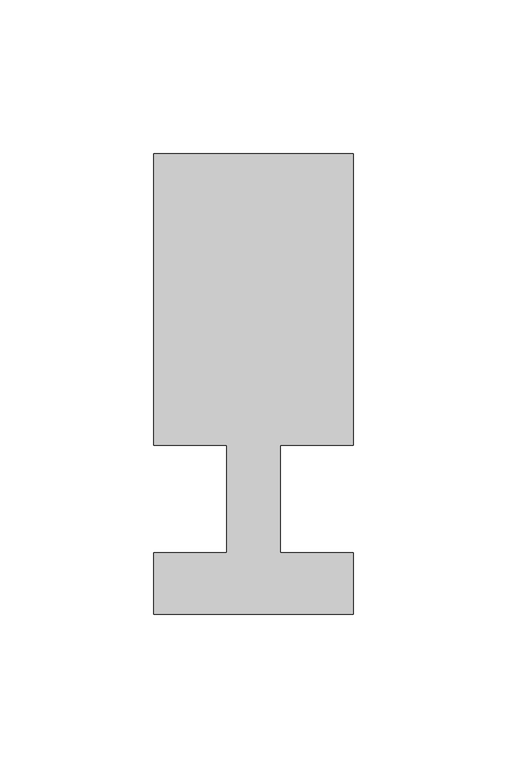
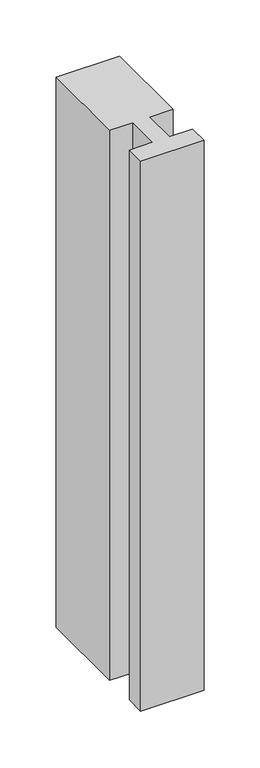
"""IFC4 building model written with IfcOpenShell, lengths in millimetres: member geometry."""

import ifcopenshell
import ifcopenshell.guid

model = None  # the IFC model being written
_history = None  # IfcOwnerHistory: only IFC2X3 demands one
_inside = {}  # id of a spatial element -> (the spatial element, [elements in it])
_under = {}  # id of a project, library or spatial element -> (it, [spatial elements below it])
_declared = {}  # id of a project -> (the project, [libraries it declares])
_typed = {}  # id of a type object -> (the type object, [elements of that type])
_made_of = {}  # id of a material, layer set ... -> (it, [elements and type objects made of it])


def new_model(schema):
    """Start an empty IFC model of exactly this schema.

    Asked for "IFC4X3", IfcOpenShell would pick the latest addendum, in which some entities
    have other attributes; the version numbers below select the first issue.
    IFC2X3 requires an IfcOwnerHistory on every rooted entity: one is made here for all.
    """
    global model, _history
    if schema == "IFC4X3":
        model = ifcopenshell.file(schema_version=(4, 3, 0, 0))
    else:
        model = ifcopenshell.file(schema=schema)
    _inside.clear()
    _under.clear()
    _declared.clear()
    _typed.clear()
    _made_of.clear()
    _history = None
    if model.schema == "IFC2X3":
        org = make("IfcOrganization", Name="unknown")
        user = make(
            "IfcPersonAndOrganization",
            ThePerson=make("IfcPerson", FamilyName="unknown"),
            TheOrganization=org,
        )
        app = make(
            "IfcApplication",
            ApplicationDeveloper=org,
            Version="unknown",
            ApplicationFullName="unknown",
            ApplicationIdentifier="unknown",
        )
        _history = make(
            "IfcOwnerHistory",
            OwningUser=user,
            OwningApplication=app,
            ChangeAction="ADDED",
            CreationDate=0,
        )
    return model


def make(cls, **values):
    """One entity of the class cls with the attributes given. An attribute that is None is left unset."""
    return model.create_entity(
        cls, **{name: value for name, value in values.items() if value is not None}
    )


def rooted(cls, **values):
    """An entity with a GlobalId (a new one), such as an element, a storey or a relation."""
    return make(cls, GlobalId=ifcopenshell.guid.new(), OwnerHistory=_history, **values)


def si_unit(unit_type, name, prefix=None):
    """IfcSIUnit, for example si_unit("LENGTHUNIT", "METRE", prefix="MILLI")."""
    return make("IfcSIUnit", UnitType=unit_type, Prefix=prefix, Name=name)


def assignment(units):
    """IfcUnitAssignment: the units of a project."""
    return None if units is None else make("IfcUnitAssignment", Units=units)


def point(xyz):
    """IfcCartesianPoint."""
    return None if xyz is None else make("IfcCartesianPoint", Coordinates=xyz)


def direction(xyz):
    """IfcDirection."""
    return None if xyz is None else make("IfcDirection", DirectionRatios=xyz)


def frame(location, z_axis=None, x_axis=None):
    """IfcAxis2Placement3D, a coordinate frame: its origin and axes. An axis left out is left unset."""
    return make(
        "IfcAxis2Placement3D",
        Location=point(location),
        Axis=direction(z_axis),
        RefDirection=direction(x_axis),
    )


def origin():
    """The frame at (0, 0, 0) with its axes left unset."""
    return frame((0.0, 0.0, 0.0))


def place(relative_to, where):
    """IfcLocalPlacement: puts the frame where relative to a parent placement (None: the world)."""
    return make(
        "IfcLocalPlacement", PlacementRelTo=relative_to, RelativePlacement=where
    )


def context(
    kind, dimensions, precision=None, world=None, true_north=None, identifier=None
):
    """IfcGeometricRepresentationContext, for example the 3D "Model" context."""
    return make(
        "IfcGeometricRepresentationContext",
        ContextIdentifier=identifier,
        ContextType=kind,
        CoordinateSpaceDimension=dimensions,
        Precision=precision,
        WorldCoordinateSystem=world,
        TrueNorth=true_north,
    )


def project(units=None, contexts=None):
    """IfcProject with its units and contexts."""
    return rooted(
        "IfcProject",
        Name="project",
        RepresentationContexts=contexts,
        UnitsInContext=assignment(units),
    )


def spatial(cls, under=None, at=None, **own):
    """A site, building, storey or space (cls), placed at a placement, below another one or the project."""
    s = rooted(cls, ObjectPlacement=at, **own)
    if under is not None:
        _under.setdefault(under.id(), (under, []))[1].append(s)
    return s


def polyline(points):
    """IfcPolyline through the points."""
    return make("IfcPolyline", Points=[point(p) for p in points])


def outline(outer, holes=None, kind="AREA"):
    """IfcArbitraryClosedProfileDef: a profile drawn as a closed curve; with holes, ...WithVoids."""
    if holes is None:
        return make("IfcArbitraryClosedProfileDef", ProfileType=kind, OuterCurve=outer)
    return make(
        "IfcArbitraryProfileDefWithVoids",
        ProfileType=kind,
        OuterCurve=outer,
        InnerCurves=holes,
    )


def extrude(swept, where, along, depth):
    """IfcExtrudedAreaSolid: the profile swept, set in the frame where, extruded along a direction by depth."""
    return make(
        "IfcExtrudedAreaSolid",
        SweptArea=swept,
        Position=where,
        ExtrudedDirection=direction(along),
        Depth=depth,
    )


def shape(context_of_items, identifier, shape_type, items):
    """IfcShapeRepresentation: the items that make up one representation, for example the "Body"."""
    return make(
        "IfcShapeRepresentation",
        ContextOfItems=context_of_items,
        RepresentationIdentifier=identifier,
        RepresentationType=shape_type,
        Items=items,
    )


def source(mapping_origin, context_of_items, identifier, shape_type, items):
    """IfcRepresentationMap: a shape defined once, which mapped items show again and again."""
    return make(
        "IfcRepresentationMap",
        MappingOrigin=mapping_origin,
        MappedRepresentation=shape(context_of_items, identifier, shape_type, items),
    )


def transform(
    local_origin,
    x_axis=None,
    y_axis=None,
    z_axis=None,
    scale=None,
    scale2=None,
    scale3=None,
    uniform=True,
):
    """IfcCartesianTransformationOperator3D, or its non-uniform kind. x_axis, y_axis, z_axis: its Axis1, 2, 3."""
    if uniform:
        return make(
            "IfcCartesianTransformationOperator3D",
            Axis1=direction(x_axis),
            Axis2=direction(y_axis),
            LocalOrigin=point(local_origin),
            Scale=scale,
            Axis3=direction(z_axis),
        )
    return make(
        "IfcCartesianTransformationOperator3DnonUniform",
        Axis1=direction(x_axis),
        Axis2=direction(y_axis),
        LocalOrigin=point(local_origin),
        Scale=scale,
        Axis3=direction(z_axis),
        Scale2=scale2,
        Scale3=scale3,
    )


def mapped(mapping_source, mapping_target):
    """IfcMappedItem: shows the shape of a source again, moved by a transform."""
    return make(
        "IfcMappedItem", MappingSource=mapping_source, MappingTarget=mapping_target
    )


def made_of(thing, what):
    """Note that an element or type object is made of a material, layer set ...; save() writes the relation."""
    if what is not None:
        _made_of.setdefault(what.id(), (what, []))[1].append(thing)
    return thing


def element(
    cls,
    number,
    at=None,
    inside=None,
    cuts=None,
    type_object=None,
    material=None,
    context=None,
    identifier="Body",
    shape_type=None,
    held_by="IfcProductDefinitionShape",
    body=None,
    shapes=None,
    **own,
):
    """One element of the class cls, such as IfcWall. Its Tag is "e" and its number.

    at: its placement. inside: the storey or other place that contains it. cuts: it is an
    opening in that element (IfcRelVoidsElement). A single representation is given by context,
    identifier, shape_type and body (its items); several are given by shapes. held_by: the class
    of the entity that holds the representations. save() writes the other relations.
    """
    e = rooted(cls, Tag="e%d" % number, ObjectPlacement=at, **own)
    if body is not None:
        shapes = [shape(context, identifier, shape_type, body)]
    if shapes is not None:
        e.Representation = make(held_by, Representations=shapes)
    if inside is not None:
        _inside.setdefault(inside.id(), (inside, []))[1].append(e)
    if cuts is not None:
        rooted(
            "IfcRelVoidsElement", RelatingBuildingElement=cuts, RelatedOpeningElement=e
        )
    if type_object is not None:
        _typed.setdefault(type_object.id(), (type_object, []))[1].append(e)
    return made_of(e, material)


def aggregate(whole, parts):
    """IfcRelAggregates: a whole, such as a stair, and the parts it consists of."""
    return rooted("IfcRelAggregates", RelatingObject=whole, RelatedObjects=parts)


def save(model, path):
    """Write the relations noted so far, then the file.

    IfcRelAggregates (storeys below a building ...), IfcRelContainedInSpatialStructure (elements
    in a storey), IfcRelDefinesByType, IfcRelAssociatesMaterial and IfcRelDeclares: one each for
    every whole, place, type object, material and project.
    """
    for whole, parts in _under.values():
        aggregate(whole, parts)
    for where, things in _inside.values():
        rooted(
            "IfcRelContainedInSpatialStructure",
            RelatedElements=things,
            RelatingStructure=where,
        )
    for kind, things in _typed.values():
        rooted("IfcRelDefinesByType", RelatedObjects=things, RelatingType=kind)
    for what, things in _made_of.values():
        rooted("IfcRelAssociatesMaterial", RelatedObjects=things, RelatingMaterial=what)
    for by, libraries in _declared.values():
        rooted("IfcRelDeclares", RelatingContext=by, RelatedDefinitions=libraries)
    model.write(path)


def member_0a7c2cce(model_context):
    return source(origin(), model_context, "Body", "SweptSolid", [
        extrude(outline(polyline([(-65.0, -37.0), (-65.0, -17.0), (-41.1875, -17.0), (-41.1875, 18.0), (-65.0, 18.0), (-65.0, 113.0), (0.0, 113.0), (0.0, 18.0), (-23.8125, 18.0), (-23.8125, -17.0), (0.0, -17.0), (0.0, -37.0), (-65.0, -37.0)])), frame((0.0, 0.0, -596.6498803), z_axis=(0.0, 0.0, 1.0), x_axis=(1.0, 0.0, 0.0)), (0.0, 0.0, 1.0), 596.6498803),
    ])


if __name__ == "__main__":
    model = new_model("IFC4")
    model_context = context("Model", 3, world=origin())
    ifc_project = project(units=[si_unit("LENGTHUNIT", "METRE", prefix="MILLI")], contexts=[model_context])
    site = spatial("IfcSite", under=ifc_project)
    building = spatial("IfcBuilding", under=site)
    placement = place(None, origin())
    member_shape = member_0a7c2cce(model_context)
    element("IfcMember", 1, at=placement, inside=building, context=model_context, shape_type="MappedRepresentation", body=[
        mapped(member_shape, transform((0.0, 0.0, 0.0), x_axis=(1.0, 0.0, 0.0), y_axis=(0.0, 1.0, 0.0), z_axis=(0.0, 0.0, 1.0))),
    ])
    save(model, "model.ifc")
